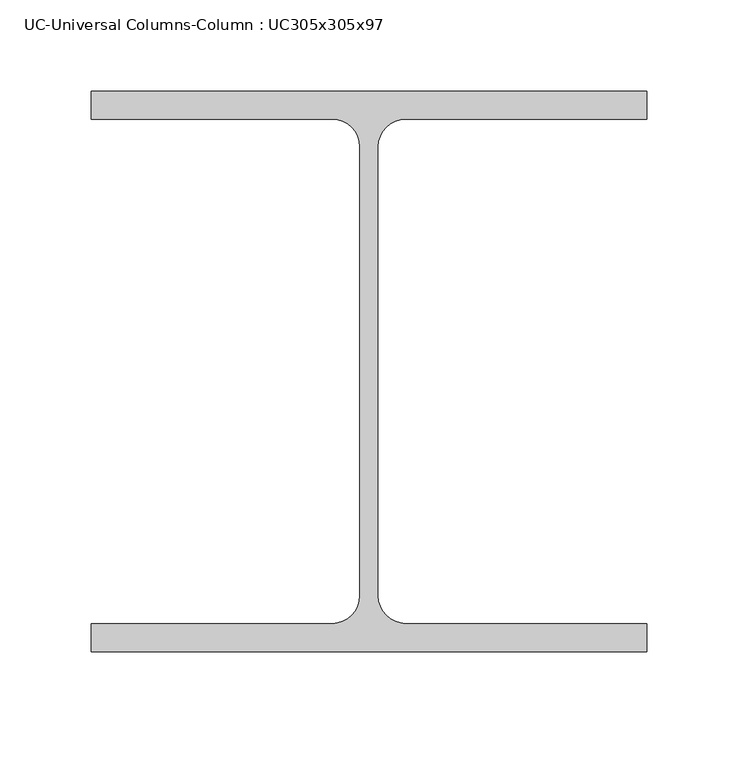
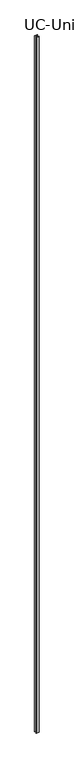
"""IFC4 building model written with IfcOpenShell, lengths in millimetres: column geometry, UC-Universal Columns-Column : UC305x305x97."""

from ifc_helpers import new_model, si_unit, point, frame_2d, origin, origin_with_axes, place, context, project, spatial, polyline, circle_curve, trimmed, segment, composite_curve, outline, extrude, source, transform, mapped, element, save


def uc_universal_columns_column_uc305x305x97_a5d55d28(model_context):
    return source(origin(), model_context, "Body", "SweptSolid", [
        extrude(outline(composite_curve([segment(polyline([(152.65, 153.95), (152.65, 138.55), (20.15, 138.55)]), True, "CONTINUOUS"), segment(trimmed(circle_curve(frame_2d((20.15, 123.35)), 15.2), [point((20.15, 138.55))], [point((4.95, 123.35))], True, "CARTESIAN"), True, "CONTINUOUS"), segment(polyline([(4.95, 123.35), (4.95, -123.35)]), True, "CONTINUOUS"), segment(trimmed(circle_curve(frame_2d((20.15, -123.35)), 15.2), [point((4.95, -123.35))], [point((20.15, -138.55))], True, "CARTESIAN"), True, "CONTINUOUS"), segment(polyline([(20.15, -138.55), (152.65, -138.55), (152.65, -153.95), (-152.65, -153.95), (-152.65, -138.55), (-20.15, -138.55)]), True, "CONTINUOUS"), segment(trimmed(circle_curve(frame_2d((-20.15, -123.35)), 15.2), [point((-20.15, -138.55))], [point((-4.95, -123.35))], True, "CARTESIAN"), True, "CONTINUOUS"), segment(polyline([(-4.95, -123.35), (-4.95, 123.35)]), True, "CONTINUOUS"), segment(trimmed(circle_curve(frame_2d((-20.15, 123.35)), 15.2), [point((-4.95, 123.35))], [point((-20.15, 138.55))], True, "CARTESIAN"), True, "CONTINUOUS"), segment(polyline([(-20.15, 138.55), (-152.65, 138.55), (-152.65, 153.95), (152.65, 153.95)]), True, "CONTINUOUS")], self_intersect=False)), origin_with_axes(), (0.0, 0.0, 1.0), 80000.0),
    ])


if __name__ == "__main__":
    model = new_model("IFC4")
    model_context = context("Model", 3, world=origin())
    ifc_project = project(units=[si_unit("LENGTHUNIT", "METRE", prefix="MILLI")], contexts=[model_context])
    site = spatial("IfcSite", under=ifc_project)
    building = spatial("IfcBuilding", under=site)
    placement = place(None, origin())
    uc_universal_columns_column_uc305x305x97_shape = uc_universal_columns_column_uc305x305x97_a5d55d28(model_context)
    element("IfcColumn", 1, ObjectType="UC-Universal Columns-Column : UC305x305x97", at=placement, inside=building, context=model_context, shape_type="MappedRepresentation", body=[
        mapped(uc_universal_columns_column_uc305x305x97_shape, transform((0.0, 0.0, 0.0), x_axis=(1.0, 0.0, 0.0), y_axis=(0.0, 1.0, 0.0), z_axis=(0.0, 0.0, 1.0))),
    ])
    save(model, "model.ifc")
